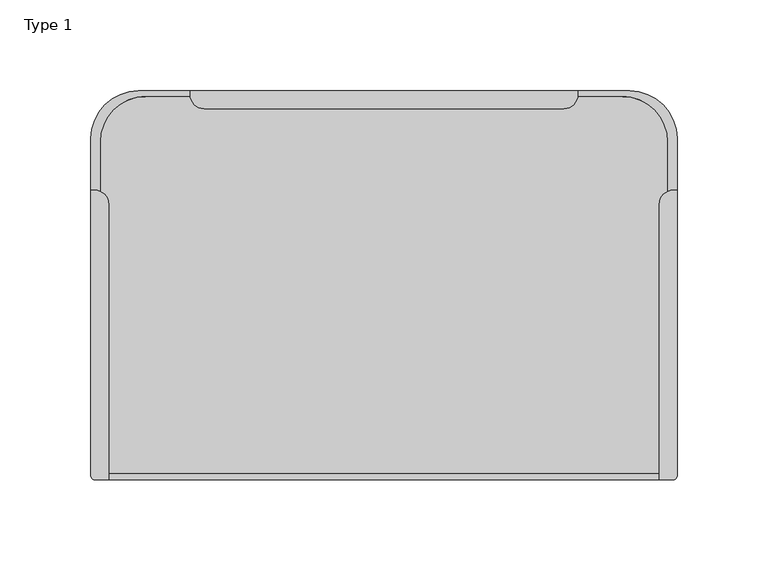
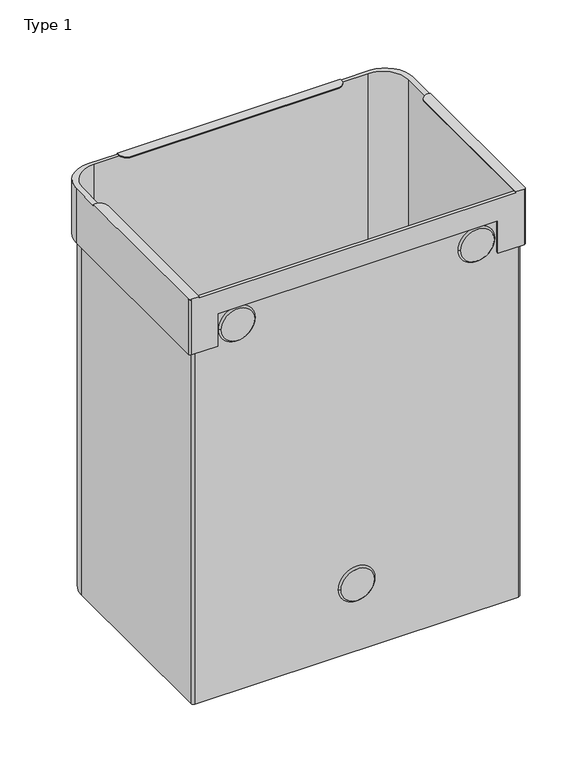
"""IFC4 building model written with IfcOpenShell, lengths in millimetres: furniture geometry, Type 1."""

from ifc_helpers import new_model, si_unit, point, frame, frame_2d, origin, place, context, project, spatial, polyline, circle_curve, trimmed, segment, composite_curve, outline, extrude, source, transform, mapped, element, save
from ifc_brep_helpers import plane_surface, cylinder_surface, revolved_surface, advanced_brep


def type_1_92e031ea(model_context):
    return source(origin(), model_context, "Body", "SolidModel", [
        advanced_brep(
        [(285.9999838, 263.575045, 410.9999857), (259.9999838, 289.575045, 410.9999857), (231.4999674, 289.575045, 410.9999857), (231.4999674, 287.5749104, 410.9999857), (231.4347708, 286.5750217, 410.9999857), (256.0000042, 286.5750217, 410.9999857), (281.0000042, 261.5750217, 410.9999857), (281.0000042, 234.466577, 410.9999857), (283.9999945, 235.0750286, 410.9999857), (285.9999838, 235.0750286, 410.9999857), (-10.0000565, 289.575045, 410.9999857), (-36.0000565, 263.575045, 410.9999857), (-36.0000565, 235.0750286, 410.9999857), (-33.9999945, 235.0750286, 410.9999857), (-30.9999793, 234.4665664, 410.9999857), (-30.9999793, 261.5750217, 410.9999857), (-5.9999793, 286.5750217, 410.9999857), (18.5651566, 286.5750217, 410.9999857), (18.4999599, 287.5749104, 410.9999857), (18.4999599, 289.575045, 410.9999857), (276.2999945, 79.1750126, 410.9999857), (-26.2999945, 79.1750126, 410.9999857), (-26.2999945, 76.0, 410.9999857), (276.2999945, 76.0, 410.9999857), (285.9999838, 78.0, 355.9999998), (283.9999838, 76.0, 355.9999998), (258.9999603, 76.0, 355.9999998), (258.9999603, 78.1750126, 355.9999998), (279.4933934, 78.1750126, 355.9999998), (282.0000042, 80.6816235, 355.9999998), (282.0000042, 261.5750217, 355.9999998), (256.0000042, 287.5750217, 355.9999998), (-5.9999793, 287.5750217, 355.9999998), (-31.9999793, 261.5750217, 355.9999998), (-31.9999793, 80.6750126, 355.9999998), (-29.4999793, 78.1750126, 355.9999998), (-9.000033, 78.1750126, 355.9999998), (-9.000033, 76.0, 355.9999998), (-34.0000565, 76.0, 355.9999998), (-36.0000565, 78.0, 355.9999998), (-36.0000565, 263.575045, 355.9999998), (-10.0000565, 289.575045, 355.9999998), (259.9999838, 289.575045, 355.9999998), (285.9999838, 263.575045, 355.9999998), (285.9999838, 235.0750286, 411.9999973), (285.9999838, 78.0, 411.9999973), (285.9999838, 78.0, 410.9999857), (18.4999599, 289.575045, 411.9999973), (231.4999674, 289.575045, 411.9999973), (-36.0000565, 78.0, 410.9999857), (-36.0000565, 78.0, 411.9999973), (-36.0000565, 235.0750286, 411.9999973), (-34.0000565, 76.0, 410.9999857), (-9.000033, 76.0, 388.9166679), (258.9999603, 76.0, 388.9166679), (283.9999838, 76.0, 410.9999857), (283.9999838, 76.0, 411.9999973), (276.2999945, 76.0, 411.9999973), (-26.2999945, 76.0, 411.9999973), (-33.9999838, 76.0, 411.9999973), (-9.000033, 78.1750126, 388.9166679), (258.9999603, 78.1750126, 388.9166679), (282.0000042, 80.6816235, 0.0), (279.4933934, 78.1750126, 0.0), (-29.4999793, 78.1750126, 0.0), (-31.9999793, 80.6750126, 0.0), (-31.9999793, 261.5750217, 0.0), (-5.9999793, 287.5750217, 0.0), (256.0000042, 287.5750217, 0.0), (282.0000042, 261.5750217, 0.0), (281.0000042, 261.5750217, 0.0), (256.0000042, 286.5750217, 0.0), (-5.9999793, 286.5750217, 0.0), (-30.9999793, 261.5750217, 0.0), (-30.9999793, 80.6750126, 0.0), (-29.4999793, 79.1750126, 0.0), (279.4933934, 79.1750126, 0.0), (281.0000042, 80.6816235, 0.0), (281.0000042, 80.6816235, 410.9999857), (279.4933934, 79.1750126, 410.9999857), (-29.4999793, 79.1750126, 410.9999857), (-30.9999793, 80.6750126, 410.9999857), (26.1999599, 279.8749104, 411.9999973), (223.7999674, 279.8749104, 411.9999973), (231.4999674, 287.5749104, 411.9999973), (18.4999599, 287.5749104, 411.9999973), (276.2999945, 227.3750286, 411.9999973), (283.9999945, 235.0750286, 411.9999973), (-26.2999945, 227.3750286, 411.9999973), (-33.9999945, 235.0750286, 411.9999973), (223.7999674, 279.8749104, 410.9999857), (26.1999599, 279.8749104, 410.9999857), (276.2999945, 227.3750286, 410.9999857), (-26.2999945, 227.3750286, 410.9999857)],
        [
            (0, 1, circle_curve(frame((259.9999838, 263.575045, 410.9999857), z_axis=(0.0, 0.0, 1.0), x_axis=(-1.0, 0.0, 0.0)), 26.0)),
            (1, 2),
            (2, 3),
            (3, 4, circle_curve(frame((223.7999674, 287.5749104, 410.9999857), z_axis=(0.0, 0.0, -1.0), x_axis=(-1.0, 0.0, 0.0)), 7.7)),
            (4, 5),
            (5, 6, circle_curve(frame((256.0000042, 261.5750217, 410.9999857), z_axis=(0.0, 0.0, -1.0), x_axis=(-1.0, 0.0, 0.0)), 25.0)),
            (6, 7),
            (7, 8, circle_curve(frame((283.9999945, 227.3750286, 410.9999857), z_axis=(0.0, 0.0, -1.0), x_axis=(-1.0, 0.0, 0.0)), 7.7)),
            (8, 9),
            (9, 0),
            (10, 11, circle_curve(frame((-10.0000565, 263.575045, 410.9999857), z_axis=(0.0, 0.0, 1.0), x_axis=(-1.0, 0.0, 0.0)), 26.0)),
            (11, 12),
            (12, 13),
            (13, 14, circle_curve(frame((-33.9999945, 227.3750286, 410.9999857), z_axis=(0.0, 0.0, -1.0), x_axis=(1.0, 0.0, 0.0)), 7.7)),
            (14, 15),
            (15, 16, circle_curve(frame((-5.9999793, 261.5750217, 410.9999857), z_axis=(0.0, 0.0, -1.0), x_axis=(-1.0, 0.0, 0.0)), 25.0)),
            (16, 17),
            (17, 18, circle_curve(frame((26.1999599, 287.5749104, 410.9999857), z_axis=(0.0, 0.0, -1.0), x_axis=(-1.0, 0.0, 0.0)), 7.7)),
            (18, 19),
            (19, 10),
            (20, 21),
            (21, 22),
            (22, 23),
            (23, 20),
            (24, 25, circle_curve(frame((283.9999838, 78.0, 355.9999998), z_axis=(0.0, 0.0, -1.0), x_axis=(-1.0, 0.0, 0.0)), 2.0)),
            (25, 26),
            (26, 27),
            (27, 28),
            (28, 29, circle_curve(frame((279.4933934, 80.6816235, 355.9999998), z_axis=(0.0, 0.0, 1.0), x_axis=(-1.0, 0.0, 0.0)), 2.5066109)),
            (29, 30),
            (30, 31, circle_curve(frame((256.0000042, 261.5750217, 355.9999998), z_axis=(0.0, 0.0, 1.0), x_axis=(-1.0, 0.0, 0.0)), 26.0)),
            (31, 32),
            (32, 33, circle_curve(frame((-5.9999793, 261.5750217, 355.9999998), z_axis=(0.0, 0.0, 1.0), x_axis=(-1.0, 0.0, 0.0)), 26.0)),
            (33, 34),
            (34, 35, circle_curve(frame((-29.4999793, 80.6750126, 355.9999998), z_axis=(0.0, 0.0, 1.0), x_axis=(-1.0, 0.0, 0.0)), 2.5)),
            (35, 36),
            (36, 37),
            (37, 38),
            (38, 39, circle_curve(frame((-34.0000565, 78.0, 355.9999998), z_axis=(0.0, 0.0, -1.0), x_axis=(-1.0, 0.0, 0.0)), 2.0)),
            (39, 40),
            (40, 41, circle_curve(frame((-10.0000565, 263.575045, 355.9999998), z_axis=(0.0, 0.0, -1.0), x_axis=(-1.0, 0.0, 0.0)), 26.0)),
            (41, 42),
            (42, 43, circle_curve(frame((259.9999838, 263.575045, 355.9999998), z_axis=(0.0, 0.0, -1.0), x_axis=(-1.0, 0.0, 0.0)), 26.0)),
            (43, 24),
            (43, 0),
            (9, 44),
            (44, 45),
            (45, 46),
            (46, 24),
            (42, 1),
            (41, 10),
            (19, 47),
            (47, 48),
            (48, 2),
            (40, 11),
            (39, 49),
            (49, 50),
            (50, 51),
            (51, 12),
            (38, 52),
            (52, 49, circle_curve(frame((-34.0000565, 78.0, 410.9999857), z_axis=(0.0, 0.0, -1.0), x_axis=(-1.0, 0.0, 0.0)), 2.0)),
            (37, 53),
            (53, 54),
            (54, 26),
            (25, 55),
            (55, 56),
            (56, 57),
            (57, 23),
            (22, 58),
            (58, 59),
            (59, 52),
            (46, 55, circle_curve(frame((283.9999838, 78.0, 410.9999857), z_axis=(0.0, 0.0, -1.0), x_axis=(-1.0, 0.0, 0.0)), 2.0)),
            (53, 60),
            (60, 61),
            (61, 54),
            (61, 27),
            (36, 60),
            (62, 63, circle_curve(frame((279.4933934, 80.6816235, 0.0), z_axis=(0.0, 0.0, -1.0), x_axis=(-1.0, 0.0, 0.0)), 2.5066109)),
            (63, 64),
            (64, 65, circle_curve(frame((-29.4999793, 80.6750126, 0.0), z_axis=(0.0, 0.0, -1.0), x_axis=(-1.0, 0.0, 0.0)), 2.5)),
            (65, 66),
            (66, 67, circle_curve(frame((-5.9999793, 261.5750217, 0.0), z_axis=(0.0, 0.0, -1.0), x_axis=(-1.0, 0.0, 0.0)), 26.0)),
            (67, 68),
            (68, 69, circle_curve(frame((256.0000042, 261.5750217, 0.0), z_axis=(0.0, 0.0, -1.0), x_axis=(-1.0, 0.0, 0.0)), 26.0)),
            (69, 62),
            (70, 71, circle_curve(frame((256.0000042, 261.5750217, 0.0), z_axis=(0.0, 0.0, 1.0), x_axis=(-1.0, 0.0, 0.0)), 25.0)),
            (71, 72),
            (72, 73, circle_curve(frame((-5.9999793, 261.5750217, 0.0), z_axis=(0.0, 0.0, 1.0), x_axis=(-1.0, 0.0, 0.0)), 25.0)),
            (73, 74),
            (74, 75, circle_curve(frame((-29.4999793, 80.6750126, 0.0), z_axis=(0.0, 0.0, 1.0), x_axis=(-1.0, 0.0, 0.0)), 1.5)),
            (75, 76),
            (76, 77, circle_curve(frame((279.4933934, 80.6816235, 0.0), z_axis=(0.0, 0.0, 1.0), x_axis=(-1.0, 0.0, 0.0)), 1.5066109)),
            (77, 70),
            (69, 30),
            (29, 62),
            (68, 31),
            (67, 32),
            (66, 33),
            (65, 34),
            (64, 35),
            (63, 28),
            (77, 78),
            (78, 7),
            (6, 70),
            (76, 79),
            (79, 78, circle_curve(frame((279.4933934, 80.6816235, 410.9999857), z_axis=(0.0, 0.0, 1.0), x_axis=(-1.0, 0.0, 0.0)), 1.5066109)),
            (75, 80),
            (80, 21),
            (20, 79),
            (74, 81),
            (81, 80, circle_curve(frame((-29.4999793, 80.6750126, 410.9999857), z_axis=(0.0, 0.0, 1.0), x_axis=(-1.0, 0.0, 0.0)), 1.5)),
            (73, 15),
            (14, 81),
            (72, 16),
            (71, 5),
            (4, 17),
            (82, 83),
            (83, 84, circle_curve(frame((223.7999674, 287.5749104, 411.9999973), z_axis=(0.0, 0.0, 1.0), x_axis=(-1.0, 0.0, 0.0)), 7.7)),
            (84, 48),
            (47, 85),
            (85, 82, circle_curve(frame((26.1999599, 287.5749104, 411.9999973), z_axis=(0.0, 0.0, 1.0), x_axis=(-1.0, 0.0, 0.0)), 7.7)),
            (86, 57),
            (56, 45, circle_curve(frame((283.9999838, 78.0, 411.9999973), z_axis=(0.0, 0.0, 1.0), x_axis=(-1.0, 0.0, 0.0)), 2.0)),
            (44, 87),
            (87, 86, circle_curve(frame((283.9999945, 227.3750286, 411.9999973), z_axis=(0.0, 0.0, 1.0), x_axis=(-1.0, 0.0, 0.0)), 7.7)),
            (88, 89, circle_curve(frame((-33.9999945, 227.3750286, 411.9999973), z_axis=(0.0, 0.0, 1.0), x_axis=(1.0, 0.0, 0.0)), 7.7)),
            (89, 51),
            (50, 59, circle_curve(frame((-33.9999838, 78.0, 411.9999973), z_axis=(0.0, 0.0, 1.0), x_axis=(1.0, 0.0, 0.0)), 2.0)),
            (58, 88),
            (90, 91),
            (91, 17, circle_curve(frame((26.1999599, 287.5749104, 410.9999857), z_axis=(0.0, 0.0, -1.0), x_axis=(-1.0, 0.0, 0.0)), 7.7)),
            (4, 90, circle_curve(frame((223.7999674, 287.5749104, 410.9999857), z_axis=(0.0, 0.0, -1.0), x_axis=(-1.0, 0.0, 0.0)), 7.7)),
            (92, 7, circle_curve(frame((283.9999945, 227.3750286, 410.9999857), z_axis=(0.0, 0.0, -1.0), x_axis=(-1.0, 0.0, 0.0)), 7.7)),
            (20, 92),
            (93, 21),
            (14, 93, circle_curve(frame((-33.9999945, 227.3750286, 410.9999857), z_axis=(0.0, 0.0, -1.0), x_axis=(1.0, 0.0, 0.0)), 7.7)),
            (82, 91),
            (90, 83),
            (3, 84),
            (18, 85),
            (86, 92),
            (8, 87),
            (88, 93),
            (13, 89),
        ],
        [
            plane_surface(frame((276.9867825, 80.6816235, 410.9999857), z_axis=(0.0, 0.0, 1.0), x_axis=(0.0, 1.0, 0.0))),
            plane_surface(frame((276.9867825, 80.6816235, 355.9999998), z_axis=(0.0, 0.0, -1.0), x_axis=(0.0, -1.0, 0.0))),
            plane_surface(frame((285.9999838, 78.0, 410.9999857), z_axis=(1.0, 0.0, 0.0), x_axis=(0.0, 0.0, -1.0))),
            cylinder_surface(frame((259.9999838, 263.575045, 447.0), z_axis=(0.0, 0.0, 1.0), x_axis=(-1.0, 0.0, 0.0)), 26.0),
            plane_surface(frame((259.9999838, 289.575045, 410.9999857), z_axis=(0.0, 1.0, 0.0), x_axis=(0.0, 0.0, -1.0))),
            cylinder_surface(frame((-10.0000565, 263.575045, 447.0), z_axis=(0.0, 0.0, 1.0), x_axis=(-1.0, 0.0, 0.0)), 26.0),
            plane_surface(frame((-36.0000565, 263.575045, 410.9999857), z_axis=(-1.0, 0.0, 0.0), x_axis=(0.0, 0.0, -1.0))),
            cylinder_surface(frame((-34.0000565, 78.0, 447.0), z_axis=(0.0, 0.0, 1.0), x_axis=(-1.0, 0.0, 0.0)), 2.0),
            plane_surface(frame((-34.0000565, 76.0, 410.9999857), z_axis=(0.0, -1.0, 0.0), x_axis=(0.0, 0.0, -1.0))),
            cylinder_surface(frame((283.9999838, 78.0, 447.0), z_axis=(0.0, 0.0, 1.0), x_axis=(-1.0, 0.0, 0.0)), 2.0),
            plane_surface(frame((-9.000033, 78.1750126, 388.9166679), z_axis=(0.0, 0.0, -1.0), x_axis=(0.0, -1.0, 0.0))),
            plane_surface(frame((258.9999603, 78.1750126, 388.9166679), z_axis=(-1.0, 0.0, 0.0), x_axis=(0.0, -1.0, 0.0))),
            plane_surface(frame((-9.000033, 78.1750126, 350.4438006), z_axis=(1.0, 0.0, 0.0), x_axis=(0.0, -1.0, 0.0))),
            plane_surface(frame((282.0000042, 261.5750099, 0.0), z_axis=(0.0, 0.0, -1.0), x_axis=(0.0, -1.0, 0.0))),
            plane_surface(frame((282.0000042, 80.6816235, 410.9999857), z_axis=(1.0, 0.0, 0.0), x_axis=(0.0, 0.0, -1.0))),
            cylinder_surface(frame((256.0000042, 261.5750217, 0.0), z_axis=(0.0, 0.0, 1.0), x_axis=(-1.0, 0.0, 0.0)), 26.0),
            plane_surface(frame((256.0000042, 287.5750217, 410.9999857), z_axis=(0.0, 1.0, 0.0), x_axis=(0.0, 0.0, -1.0))),
            cylinder_surface(frame((-5.9999793, 261.5750217, 0.0), z_axis=(0.0, 0.0, 1.0), x_axis=(-1.0, 0.0, 0.0)), 26.0),
            plane_surface(frame((-31.9999793, 261.5750217, 410.9999857), z_axis=(-1.0, 0.0, 0.0), x_axis=(0.0, 0.0, -1.0))),
            cylinder_surface(frame((-29.4999793, 80.6750126, 0.0), z_axis=(0.0, 0.0, 1.0), x_axis=(-1.0, 0.0, 0.0)), 2.5),
            plane_surface(frame((-29.4999793, 78.1750126, 410.9999857), z_axis=(0.0, -1.0, 0.0), x_axis=(0.0, 0.0, -1.0))),
            cylinder_surface(frame((279.4933934, 80.6816235, 0.0), z_axis=(0.0, 0.0, 1.0), x_axis=(-1.0, 0.0, 0.0)), 2.5066109),
            plane_surface(frame((281.0000042, 261.5750217, 410.9999857), z_axis=(-1.0, 0.0, 0.0), x_axis=(0.0, 0.0, -1.0))),
            revolved_surface(polyline([(277.9867825, 80.6816235, 0.0), (277.9867825, 80.6816235, 410.9999857)]), (279.4933934, 80.6816235, 447.0), (0.0, 0.0, -1.0)),
            plane_surface(frame((279.4933934, 79.1750126, 410.9999857), z_axis=(0.0, 1.0, 0.0), x_axis=(0.0, 0.0, -1.0))),
            revolved_surface(polyline([(-30.9999793, 80.6750126, 0.0), (-30.9999793, 80.6750126, 410.9999857)]), (-29.4999793, 80.6750126, 447.0), (0.0, 0.0, -1.0)),
            plane_surface(frame((-30.9999793, 80.6750126, 410.9999857), z_axis=(1.0, 0.0, 0.0), x_axis=(0.0, 0.0, -1.0))),
            revolved_surface(polyline([(-30.9999793, 261.5750217, 0.0), (-30.9999793, 261.5750217, 410.9999857)]), (-5.9999793, 261.5750217, 447.0), (0.0, 0.0, -1.0)),
            plane_surface(frame((-5.9999793, 286.5750217, 410.9999857), z_axis=(0.0, -1.0, 0.0), x_axis=(0.0, 0.0, -1.0))),
            revolved_surface(polyline([(231.00000419999998, 261.5750217, 0.0), (231.00000419999998, 261.5750217, 410.9999857)]), (256.0000042, 261.5750217, 447.0), (0.0, 0.0, -1.0)),
            plane_surface(frame((223.8000013, 279.8749104, 411.9999973), z_axis=(0.0, 0.0, 1.0), x_axis=(1.0, 0.0, 0.0))),
            plane_surface(frame((223.8000013, 279.8749104, 410.9999857), z_axis=(0.0, 0.0, -1.0), x_axis=(-1.0, 0.0, 0.0))),
            plane_surface(frame((26.1999599, 279.8749104, 411.9999973), z_axis=(0.0, -1.0, 0.0), x_axis=(0.0, 0.0, -1.0))),
            cylinder_surface(frame((223.7999674, 287.5749104, 410.9999857), z_axis=(0.0, 0.0, 1.0), x_axis=(-1.0, 0.0, 0.0)), 7.7),
            plane_surface(frame((231.4999674, 287.5749104, 411.9999973), z_axis=(1.0, 0.0, 0.0), x_axis=(0.0, 0.0, -1.0))),
            plane_surface(frame((18.4999599, 289.575045, 411.9999973), z_axis=(-1.0, 0.0, 0.0), x_axis=(0.0, 0.0, -1.0))),
            cylinder_surface(frame((26.1999599, 287.5749104, 410.9999857), z_axis=(0.0, 0.0, 1.0), x_axis=(-1.0, 0.0, 0.0)), 7.7),
            plane_surface(frame((276.2999945, 227.3750286, 411.9999973), z_axis=(-1.0, 0.0, 0.0), x_axis=(0.0, 0.0, -1.0))),
            plane_surface(frame((285.9999838, 235.0750286, 411.9999973), z_axis=(0.0, 1.0, 0.0), x_axis=(0.0, 0.0, -1.0))),
            cylinder_surface(frame((283.9999945, 227.3750286, 447.0), z_axis=(0.0, 0.0, 1.0), x_axis=(-1.0, 0.0, 0.0)), 7.7),
            cylinder_surface(frame((-33.9999945, 227.3750286, 447.0), z_axis=(0.0, 0.0, 1.0), x_axis=(1.0, 0.0, 0.0)), 7.7),
            plane_surface(frame((-33.9999945, 235.0750286, 411.9999973), z_axis=(0.0, 1.0, 0.0), x_axis=(0.0, 0.0, -1.0))),
            cylinder_surface(frame((-33.9999838, 78.0, 447.0), z_axis=(0.0, 0.0, 1.0), x_axis=(1.0, 0.0, 0.0)), 2.0),
            plane_surface(frame((-26.2999945, 76.0, 411.9999973), z_axis=(1.0, 0.0, 0.0), x_axis=(0.0, 0.0, -1.0))),
        ],
        [
            (0, [[1, 2, 3, 4, 5, 6, 7, 8, 9, 10]]),
            (0, [[11, 12, 13, 14, 15, 16, 17, 18, 19, 20]]),
            (0, [[21, 22, 23, 24]]),
            (1, [[25, 26, 27, 28, 29, 30, 31, 32, 33, 34, 35, 36, 37, 38, 39, 40, 41, 42, 43, 44]]),
            (2, [[-44, 45, -10, 46, 47, 48, 49]]),
            (3, [[-1, -45, -43, 50]]),
            (4, [[-42, 51, -20, 52, 53, 54, -2, -50]]),
            (5, [[-11, -51, -41, 55]]),
            (6, [[-40, 56, 57, 58, 59, -12, -55]]),
            (7, [[-39, 60, 61, -56]]),
            (8, [[-60, -38, 62, 63, 64, -26, 65, 66, 67, 68, -23, 69, 70, 71]]),
            (9, [[-25, -49, 72, -65]]),
            (10, [[73, 74, 75, -63]]),
            (11, [[-75, 76, -27, -64]]),
            (12, [[-73, -62, -37, 77]]),
            (13, [[78, 79, 80, 81, 82, 83, 84, 85], [86, 87, 88, 89, 90, 91, 92, 93]]),
            (14, [[-85, 94, -30, 95]]),
            (15, [[-84, 96, -31, -94]]),
            (16, [[-83, 97, -32, -96]]),
            (17, [[-82, 98, -33, -97]]),
            (18, [[-81, 99, -34, -98]]),
            (19, [[-80, 100, -35, -99]]),
            (20, [[-79, 101, -28, -76, -74, -77, -36, -100]]),
            (21, [[-78, -95, -29, -101]]),
            (22, [[-93, 102, 103, -7, 104]]),
            (23, [[-92, 105, 106, -102]]),
            (24, [[-91, 107, 108, -21, 109, -105]]),
            (25, [[-90, 110, 111, -107]]),
            (26, [[-89, 112, -15, 113, -110]]),
            (27, [[-16, -112, -88, 114]]),
            (28, [[-87, 115, -5, 116, -17, -114]]),
            (29, [[-6, -115, -86, -104]]),
            (30, [[117, 118, 119, -53, 120, 121]]),
            (30, [[122, -67, 123, -47, 124, 125]]),
            (30, [[126, 127, -58, 128, -70, 129]]),
            (31, [[130, 131, -116, 132]]),
            (31, [[133, -103, -106, -109, 134]]),
            (31, [[135, -108, -111, -113, 136]]),
            (32, [[-117, 137, -130, 138]]),
            (33, [[-118, -138, -132, -4, 139]]),
            (34, [[-119, -139, -3, -54]]),
            (35, [[-120, -52, -19, 140]]),
            (36, [[-121, -140, -18, -131, -137]]),
            (37, [[-122, 141, -134, -24, -68]]),
            (9, [[-123, -66, -72, -48]]),
            (38, [[-124, -46, -9, 142]]),
            (39, [[-125, -142, -8, -133, -141]]),
            (40, [[-126, 143, -136, -14, 144]]),
            (41, [[-127, -144, -13, -59]]),
            (42, [[-128, -57, -61, -71]]),
            (43, [[-129, -69, -22, -135, -143]]),
        ],
    ),
        advanced_brep(
        [(140.8750003, 76.0, 68.0000009), (109.1249997, 76.0, 68.0000009), (143.0499997, 78.1750126, 68.0000009), (106.9500003, 78.1750126, 68.0000009)],
        [
            (0, 1, circle_curve(frame((125.0, 76.0, 68.0000009), z_axis=(0.0, -1.0, 0.0), x_axis=(1.0, 0.0, 0.0)), 15.8750003)),
            (1, 0, circle_curve(frame((125.0, 76.0, 68.0000009), z_axis=(0.0, -1.0, 0.0), x_axis=(-1.0, 0.0, 0.0)), 15.8750003)),
            (2, 3, circle_curve(frame((125.0, 78.1750126, 68.0000009), z_axis=(0.0, 1.0, 0.0), x_axis=(-1.0, 0.0, 0.0)), 18.0499997)),
            (3, 2, circle_curve(frame((125.0, 78.1750126, 68.0000009), z_axis=(0.0, 1.0, 0.0), x_axis=(1.0, 0.0, 0.0)), 18.0499997)),
            (2, 0),
            (1, 3),
        ],
        [
            plane_surface(frame((125.0, 76.0, 68.0000009), z_axis=(0.0, -1.0, 0.0), x_axis=(0.0, 0.0, -1.0))),
            plane_surface(frame((125.0, 78.1750126, 68.0000009), z_axis=(0.0, 1.0, 0.0), x_axis=(0.0, 0.0, -1.0))),
            revolved_surface(polyline([(109.1249997536042, 76.0, 68.0000009), (106.9500003, 78.1750126, 68.0000009)]), (125.0, 60.1249038, 68.0000009), (0.0, 1.0, 0.0)),
            revolved_surface(polyline([(140.8750002463958, 76.0, 68.0000009), (143.0499997, 78.1750126, 68.0000009)]), (125.0, 60.1249038, 68.0000009), (0.0, 1.0, 0.0)),
        ],
        [
            (0, [[1, 2]]),
            (1, [[3, 4]]),
            (2, [[-3, 5, -2, 6]]),
            (3, [[-4, -6, -1, -5]]),
        ],
    ),
        advanced_brep(
        [(-5.3750051, 76.0, 371.0000108), (26.3749955, 76.0, 371.0000108), (-7.5500045, 78.1750126, 371.0000108), (28.5499949, 78.1750126, 371.0000108)],
        [
            (0, 1, circle_curve(frame((10.4999952, 76.0, 371.0000108), z_axis=(0.0, -1.0, 0.0), x_axis=(-1.0, 0.0, 0.0)), 15.8750003)),
            (1, 0, circle_curve(frame((10.4999952, 76.0, 371.0000108), z_axis=(0.0, -1.0, 0.0), x_axis=(1.0, 0.0, 0.0)), 15.8750003)),
            (2, 3, circle_curve(frame((10.4999952, 78.1750126, 371.0000108), z_axis=(0.0, 1.0, 0.0), x_axis=(1.0, 0.0, 0.0)), 18.0499997)),
            (3, 2, circle_curve(frame((10.4999952, 78.1750126, 371.0000108), z_axis=(0.0, 1.0, 0.0), x_axis=(-1.0, 0.0, 0.0)), 18.0499997)),
            (3, 1),
            (0, 2),
        ],
        [
            plane_surface(frame((10.4999952, 76.0, 371.0000108), z_axis=(0.0, -1.0, 0.0), x_axis=(0.0, 0.0, 1.0))),
            plane_surface(frame((10.4999952, 78.1750126, 371.0000108), z_axis=(0.0, 1.0, 0.0), x_axis=(0.0, 0.0, 1.0))),
            revolved_surface(polyline([(-5.375005046395804, 76.0, 371.0000108), (-7.5500045, 78.1750126, 371.0000108)]), (10.4999952, 60.1249038, 371.0000108), (0.0, 1.0, 0.0)),
            revolved_surface(polyline([(26.374995446395808, 76.0, 371.0000108), (28.5499949, 78.1750126, 371.0000108)]), (10.4999952, 60.1249038, 371.0000108), (0.0, 1.0, 0.0)),
        ],
        [
            (0, [[1, 2]]),
            (1, [[3, 4]]),
            (2, [[-4, 5, -1, 6]]),
            (3, [[-3, -6, -2, -5]]),
        ],
    ),
        advanced_brep(
        [(255.3750051, 76.0, 371.0000108), (223.6250045, 76.0, 371.0000108), (257.5500045, 78.1750126, 371.0000108), (221.4500051, 78.1750126, 371.0000108)],
        [
            (0, 1, circle_curve(frame((239.5000048, 76.0, 371.0000108), z_axis=(0.0, -1.0, 0.0), x_axis=(1.0, 0.0, 0.0)), 15.8750003)),
            (1, 0, circle_curve(frame((239.5000048, 76.0, 371.0000108), z_axis=(0.0, -1.0, 0.0), x_axis=(-1.0, 0.0, 0.0)), 15.8750003)),
            (2, 3, circle_curve(frame((239.5000048, 78.1750126, 371.0000108), z_axis=(0.0, 1.0, 0.0), x_axis=(-1.0, 0.0, 0.0)), 18.0499997)),
            (3, 2, circle_curve(frame((239.5000048, 78.1750126, 371.0000108), z_axis=(0.0, 1.0, 0.0), x_axis=(1.0, 0.0, 0.0)), 18.0499997)),
            (2, 0),
            (1, 3),
        ],
        [
            plane_surface(frame((239.5000048, 76.0, 371.0000108), z_axis=(0.0, -1.0, 0.0), x_axis=(0.0, 0.0, -1.0))),
            plane_surface(frame((239.5000048, 78.1750126, 371.0000108), z_axis=(0.0, 1.0, 0.0), x_axis=(0.0, 0.0, -1.0))),
            revolved_surface(polyline([(223.62500455360419, 76.0, 371.0000108), (221.4500051, 78.1750126, 371.0000108)]), (239.5000048, 60.1249038, 371.0000108), (0.0, 1.0, 0.0)),
            revolved_surface(polyline([(255.3750050463958, 76.0, 371.0000108), (257.5500045, 78.1750126, 371.0000108)]), (239.5000048, 60.1249038, 371.0000108), (0.0, 1.0, 0.0)),
        ],
        [
            (0, [[1, 2]]),
            (1, [[3, 4]]),
            (2, [[-3, 5, -2, 6]]),
            (3, [[-4, -6, -1, -5]]),
        ],
    ),
        extrude(outline(composite_curve([segment(polyline([(281.0000042, 261.5750217), (281.0000042, 80.6816235)]), True, "CONTINUOUS"), segment(trimmed(circle_curve(frame_2d((279.4933934, 80.6816235)), 1.5066109), [point((281.0000042, 80.6816235))], [point((279.4933934, 79.1750126))], False, "CARTESIAN"), True, "CONTINUOUS"), segment(polyline([(279.4933934, 79.1750126), (-29.4999793, 79.1750126)]), True, "CONTINUOUS"), segment(trimmed(circle_curve(frame_2d((-29.4999793, 80.6750126)), 1.5), [point((-29.4999793, 79.1750126))], [point((-30.9999793, 80.6750126))], False, "CARTESIAN"), True, "CONTINUOUS"), segment(polyline([(-30.9999793, 80.6750126), (-30.9999793, 261.5750217)]), True, "CONTINUOUS"), segment(trimmed(circle_curve(frame_2d((-5.9999793, 261.5750217)), 25.0), [point((-30.9999793, 261.5750217))], [point((-5.9999793, 286.5750217))], False, "CARTESIAN"), True, "CONTINUOUS"), segment(polyline([(-5.9999793, 286.5750217), (256.0000042, 286.5750217)]), True, "CONTINUOUS"), segment(trimmed(circle_curve(frame_2d((256.0000042, 261.5750217)), 25.0), [point((256.0000042, 286.5750217))], [point((281.0000042, 261.5750217))], False, "CARTESIAN"), True, "CONTINUOUS")], self_intersect=False)), frame((0.0, 0.0, 15.6000005), z_axis=(0.0, 0.0, 1.0), x_axis=(1.0, 0.0, 0.0)), (0.0, 0.0, 1.0), 0.9999991),
    ])


if __name__ == "__main__":
    model = new_model("IFC4")
    model_context = context("Model", 3, world=origin())
    ifc_project = project(units=[si_unit("LENGTHUNIT", "METRE", prefix="MILLI")], contexts=[model_context])
    site = spatial("IfcSite", under=ifc_project)
    building = spatial("IfcBuilding", under=site)
    placement = place(None, origin())
    type_1_shape = type_1_92e031ea(model_context)
    element("IfcFurniture", 1, ObjectType="Type 1", at=placement, inside=building, context=model_context, shape_type="MappedRepresentation", body=[
        mapped(type_1_shape, transform((0.0, 0.0, 0.0), x_axis=(1.0, 0.0, 0.0), y_axis=(0.0, 1.0, 0.0), z_axis=(0.0, 0.0, 1.0))),
    ])
    save(model, "model.ifc")
